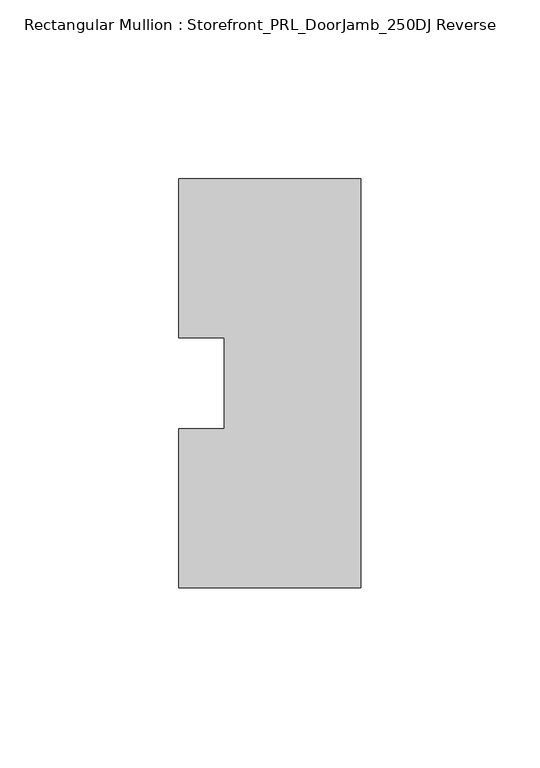
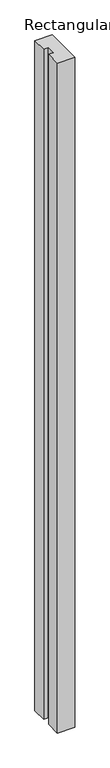
"""IFC4 building model written with IfcOpenShell, lengths in millimetres: member geometry, Rectangular Mullion : Storefront_PRL_DoorJamb_250DJ Reverse."""

from ifc_helpers import new_model, si_unit, frame, origin, place, context, project, spatial, polyline, outline, extrude, source, transform, mapped, element, save


def rectangular_mullion_storefront_prl_doorjamb_250dj_reverse_4b4ffd7b(model_context):
    return source(origin(), model_context, "Body", "SweptSolid", [
        extrude(outline(polyline([(-12.7, -12.7), (-12.7, 12.7), (-25.4, 12.7), (-25.4, 57.15), (25.4, 57.15), (25.4, -57.15), (-25.4, -57.15), (-25.4, -12.7), (-12.7, -12.7)])), frame((0.0, 0.0, -2072.48125), z_axis=(0.0, 0.0, 1.0), x_axis=(1.0, 0.0, 0.0)), (0.0, 0.0, 1.0), 2072.48125),
    ])


if __name__ == "__main__":
    model = new_model("IFC4")
    model_context = context("Model", 3, world=origin())
    ifc_project = project(units=[si_unit("LENGTHUNIT", "METRE", prefix="MILLI")], contexts=[model_context])
    site = spatial("IfcSite", under=ifc_project)
    building = spatial("IfcBuilding", under=site)
    placement = place(None, origin())
    rectangular_mullion_storefront_prl_doorjamb_250dj_reverse_shape = rectangular_mullion_storefront_prl_doorjamb_250dj_reverse_4b4ffd7b(model_context)
    element("IfcMember", 1, ObjectType="Rectangular Mullion : Storefront_PRL_DoorJamb_250DJ Reverse", at=placement, inside=building, context=model_context, shape_type="MappedRepresentation", body=[
        mapped(rectangular_mullion_storefront_prl_doorjamb_250dj_reverse_shape, transform((0.0, 0.0, 0.0), x_axis=(1.0, 0.0, 0.0), y_axis=(0.0, 1.0, 0.0), z_axis=(0.0, 0.0, 1.0))),
    ])
    save(model, "model.ifc")
